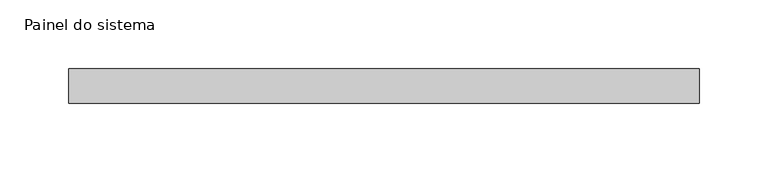
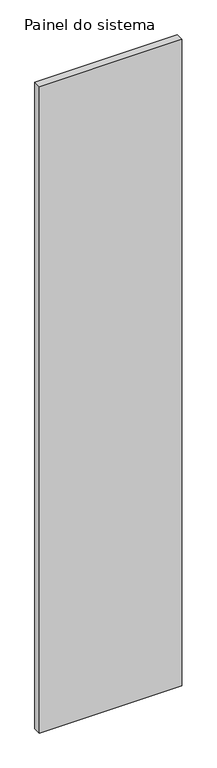
"""IFC4 building model written with IfcOpenShell, lengths in millimetres: plate geometry, Painel do sistema."""

from ifc_helpers import new_model, si_unit, origin, origin_with_axes, place, context, project, spatial, polyline, outline, extrude, source, transform, mapped, element, save


def painel_do_sistema_08327b4f(model_context):
    return source(origin(), model_context, "Body", "SweptSolid", [
        extrude(outline(polyline([(229.0499998, 24.5), (-229.0499998, 24.5), (-229.0499998, 49.5), (229.0499998, 49.5), (229.0499998, 24.5)])), origin_with_axes(), (0.0, 0.0, 1.0), 2200.0),
    ])


if __name__ == "__main__":
    model = new_model("IFC4")
    model_context = context("Model", 3, world=origin())
    ifc_project = project(units=[si_unit("LENGTHUNIT", "METRE", prefix="MILLI")], contexts=[model_context])
    site = spatial("IfcSite", under=ifc_project)
    building = spatial("IfcBuilding", under=site)
    placement = place(None, origin())
    painel_do_sistema_shape = painel_do_sistema_08327b4f(model_context)
    element("IfcPlate", 1, ObjectType="Painel do sistema", at=placement, inside=building, context=model_context, shape_type="MappedRepresentation", body=[
        mapped(painel_do_sistema_shape, transform((0.0, 0.0, 0.0), x_axis=(1.0, 0.0, 0.0), y_axis=(0.0, 1.0, 0.0), z_axis=(0.0, 0.0, 1.0))),
    ])
    save(model, "model.ifc")
